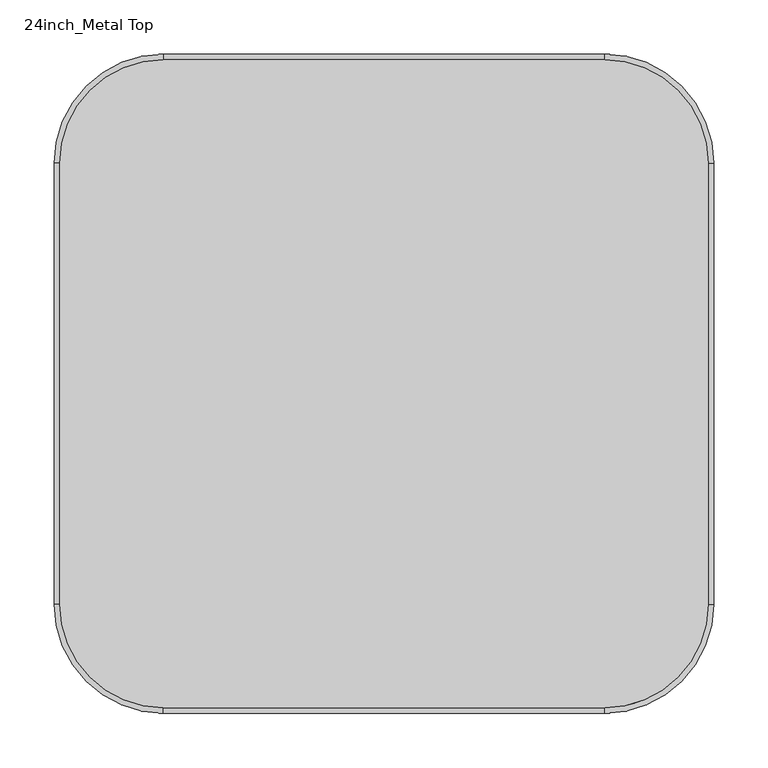
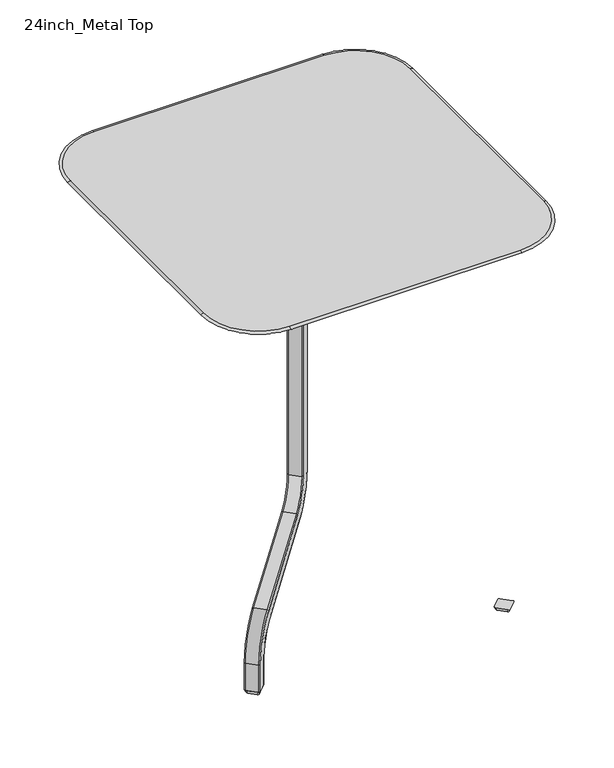
"""IFC4 building model written with IfcOpenShell, lengths in millimetres: furniture geometry, 24inch_Metal Top."""

from ifc_helpers import new_model, si_unit, point, frame, origin, place, context, project, spatial, polyline, circle_curve, ellipse_curve, trimmed, source, transform, mapped, element, save
from ifc_brep_helpers import plane_surface, cylinder_surface, revolved_surface, extruded_surface, advanced_brep


def furniture_24inch_metal_top_0d1c661f(model_context):
    return source(origin(), model_context, "Body", "AdvancedBrep", [
        advanced_brep(
        [(-248.810741, 203.8602009, 715.01), (-203.8602009, 248.810741, 715.01), (203.8602009, 248.810741, 715.01), (248.810741, 203.8602009, 715.01), (248.810741, -203.8602009, 715.01), (203.8602009, -248.810741, 715.01), (-203.8602009, -248.810741, 715.01), (-248.810741, -203.8602009, 715.01), (-203.8602009, 299.640625, 721.36), (-299.640625, 203.8602009, 721.36), (-299.640625, -203.8602009, 721.36), (-203.8602009, -299.640625, 721.36), (203.8602009, -299.640625, 721.36), (299.640625, -203.8602009, 721.36), (299.640625, 203.8602009, 721.36), (203.8602009, 299.640625, 721.36), (299.640625, 203.8602009, 718.185), (203.8602009, 299.640625, 718.185), (299.640625, -203.8602009, 718.185), (203.8602009, -299.640625, 718.185), (-203.8602009, -299.640625, 718.185), (-299.640625, -203.8602009, 718.185), (-299.640625, 203.8602009, 718.185), (-203.8602009, 299.640625, 718.185)],
        [
            (0, 1, circle_curve(frame((-203.8602009, 203.8602009, 715.01), z_axis=(0.0, 0.0, -1.0), x_axis=(0.0, 1.0, 0.0)), 44.9505402)),
            (1, 2),
            (2, 3, circle_curve(frame((203.8602009, 203.8602009, 715.01), z_axis=(0.0, 0.0, -1.0), x_axis=(1.0, 0.0, 0.0)), 44.9505402)),
            (3, 4),
            (4, 5, circle_curve(frame((203.8602009, -203.8602009, 715.01), z_axis=(0.0, 0.0, -1.0), x_axis=(0.0, -1.0, 0.0)), 44.9505402)),
            (5, 6),
            (6, 7, circle_curve(frame((-203.8602009, -203.8602009, 715.01), z_axis=(0.0, 0.0, -1.0), x_axis=(-1.0, 0.0, 0.0)), 44.9505402)),
            (7, 0),
            (8, 9, circle_curve(frame((-203.8602009, 203.8602009, 721.36), z_axis=(0.0, 0.0, 1.0), x_axis=(-1.0, 0.0, 0.0)), 95.7804241)),
            (9, 10),
            (10, 11, circle_curve(frame((-203.8602009, -203.8602009, 721.36), z_axis=(0.0, 0.0, 1.0), x_axis=(0.0, -1.0, 0.0)), 95.7804241)),
            (11, 12),
            (12, 13, circle_curve(frame((203.8602009, -203.8602009, 721.36), z_axis=(0.0, 0.0, 1.0), x_axis=(1.0, 0.0, 0.0)), 95.7804241)),
            (13, 14),
            (14, 15, circle_curve(frame((203.8602009, 203.8602009, 721.36), z_axis=(0.0, 0.0, 1.0), x_axis=(0.0, 1.0, 0.0)), 95.7804241)),
            (15, 8),
            (14, 16, ellipse_curve(frame((299.640625, 203.8602009, 719.7725), z_axis=(0.0, 1.0, 0.0), x_axis=(1.0, 0.0, 0.0)), 5.159375, 1.5875)),
            (16, 17, circle_curve(frame((203.8602009, 203.8602009, 718.185), z_axis=(0.0, 0.0, 1.0), x_axis=(0.0, 1.0, 0.0)), 95.7804241)),
            (17, 15, ellipse_curve(frame((203.8602009, 299.640625, 719.7725), z_axis=(1.0, 0.0, 0.0), x_axis=(0.0, 1.0, 0.0)), 5.159375, 1.5875)),
            (13, 18, ellipse_curve(frame((299.640625, -203.8602009, 719.7725), z_axis=(0.0, 1.0, 0.0), x_axis=(1.0, 0.0, 0.0)), 5.159375, 1.5875)),
            (18, 16),
            (12, 19, ellipse_curve(frame((203.8602009, -299.640625, 719.7725), z_axis=(1.0, 0.0, 0.0), x_axis=(0.0, -1.0, 0.0)), 5.159375, 1.5875)),
            (19, 18, circle_curve(frame((203.8602009, -203.8602009, 718.185), z_axis=(0.0, 0.0, 1.0), x_axis=(1.0, 0.0, 0.0)), 95.7804241)),
            (11, 20, ellipse_curve(frame((-203.8602009, -299.640625, 719.7725), z_axis=(1.0, 0.0, 0.0), x_axis=(0.0, -1.0, 0.0)), 5.159375, 1.5875)),
            (20, 19),
            (10, 21, ellipse_curve(frame((-299.640625, -203.8602009, 719.7725), z_axis=(0.0, -1.0, 0.0), x_axis=(-1.0, 0.0, 0.0)), 5.159375, 1.5875)),
            (21, 20, circle_curve(frame((-203.8602009, -203.8602009, 718.185), z_axis=(0.0, 0.0, 1.0), x_axis=(0.0, -1.0, 0.0)), 95.7804241)),
            (9, 22, ellipse_curve(frame((-299.640625, 203.8602009, 719.7725), z_axis=(0.0, -1.0, 0.0), x_axis=(-1.0, 0.0, 0.0)), 5.159375, 1.5875)),
            (22, 21),
            (8, 23, ellipse_curve(frame((-203.8602009, 299.640625, 719.7725), z_axis=(-1.0, 0.0, 0.0), x_axis=(0.0, 1.0, 0.0)), 5.159375, 1.5875)),
            (23, 22, circle_curve(frame((-203.8602009, 203.8602009, 718.185), z_axis=(0.0, 0.0, 1.0), x_axis=(-1.0, 0.0, 0.0)), 95.7804241)),
            (17, 23),
            (23, 1, circle_curve(frame((-203.8602009, 209.8005151, 1748.006574), z_axis=(-1.0, 0.0, 0.0), x_axis=(0.0, -1.0, 0.0)), 1033.7329054)),
            (0, 22, circle_curve(frame((-209.8005151, 203.8602009, 1748.006574), z_axis=(0.0, 1.0, 0.0), x_axis=(1.0, 0.0, 0.0)), 1033.7329054)),
            (7, 21, circle_curve(frame((-209.8005151, -203.8602009, 1748.006574), z_axis=(0.0, 1.0, 0.0), x_axis=(1.0, 0.0, 0.0)), 1033.7329054)),
            (6, 20, circle_curve(frame((-203.8602009, -209.8005151, 1748.006574), z_axis=(-1.0, 0.0, 0.0), x_axis=(0.0, 1.0, 0.0)), 1033.7329054)),
            (5, 19, circle_curve(frame((203.8602009, -209.8005151, 1748.006574), z_axis=(-1.0, 0.0, 0.0), x_axis=(0.0, 1.0, 0.0)), 1033.7329054)),
            (4, 18, circle_curve(frame((209.8005151, -203.8602009, 1748.006574), z_axis=(0.0, -1.0, 0.0), x_axis=(-1.0, 0.0, 0.0)), 1033.7329054)),
            (3, 16, circle_curve(frame((209.8005151, 203.8602009, 1748.006574), z_axis=(0.0, -1.0, 0.0), x_axis=(-1.0, 0.0, 0.0)), 1033.7329054)),
            (2, 17, circle_curve(frame((203.8602009, 209.8005151, 1748.006574), z_axis=(1.0, 0.0, 0.0), x_axis=(0.0, -1.0, 0.0)), 1033.7329054)),
        ],
        [
            plane_surface(frame((-203.8602009, 248.810741, 715.01), z_axis=(0.0, 0.0, -1.0), x_axis=(1.0, 0.0, 0.0))),
            plane_surface(frame((-203.8602009, 203.8602009, 721.36), z_axis=(0.0, 0.0, 1.0), x_axis=(-1.0, 0.0, 0.0))),
            revolved_surface(trimmed(ellipse_curve(frame((203.8602009, 299.640625, 719.7725), z_axis=(-1.0, 0.0, 0.0), x_axis=(0.0, 0.0, 1.0)), 1.5875, 5.159375), [point((203.8602009, 299.640625, 721.36))], [point((203.8602009, 299.640625, 718.185))], True, "CARTESIAN"), (203.8602009, 203.8602009, 721.36), (0.0, 0.0, -1.0)),
            extruded_surface(trimmed(ellipse_curve(frame((299.640625, -203.8602009, 719.7725), z_axis=(0.0, 1.0, 0.0), x_axis=(0.0, 0.0, 1.0)), 1.5875, 5.159375), [point((299.640625, -203.8602009, 721.36))], [point((299.640625, -203.8602009, 718.185))], True, "CARTESIAN"), (0.0, 407.7204018, 0.0), 407.7204018),
            revolved_surface(trimmed(ellipse_curve(frame((299.640625, -203.8602009, 719.7725), z_axis=(0.0, 1.0, 0.0), x_axis=(0.0, 0.0, 1.0)), 1.5875, 5.159375), [point((299.640625, -203.8602009, 721.36))], [point((299.640625, -203.8602009, 718.185))], True, "CARTESIAN"), (203.8602009, -203.8602009, 721.36), (0.0, 0.0, -1.0)),
            extruded_surface(trimmed(ellipse_curve(frame((-203.8602009, -299.640625, 719.7725), z_axis=(1.0, 0.0, 0.0), x_axis=(0.0, 0.0, 1.0)), 1.5875, 5.159375), [point((-203.8602009, -299.640625, 721.36))], [point((-203.8602009, -299.640625, 718.185))], True, "CARTESIAN"), (407.7204018, 0.0, 0.0), 407.7204018),
            revolved_surface(trimmed(ellipse_curve(frame((-203.8602009, -299.640625, 719.7725), z_axis=(1.0, 0.0, 0.0), x_axis=(0.0, 0.0, 1.0)), 1.5875, 5.159375), [point((-203.8602009, -299.640625, 721.36))], [point((-203.8602009, -299.640625, 718.185))], True, "CARTESIAN"), (-203.8602009, -203.8602009, 721.36), (0.0, 0.0, -1.0)),
            extruded_surface(trimmed(ellipse_curve(frame((-299.640625, 203.8602009, 719.7725), z_axis=(0.0, -1.0, 0.0), x_axis=(0.0, 0.0, 1.0)), 1.5875, 5.159375), [point((-299.640625, 203.8602009, 721.36))], [point((-299.640625, 203.8602009, 718.185))], True, "CARTESIAN"), (0.0, -407.7204018, 0.0), 407.7204018),
            revolved_surface(trimmed(ellipse_curve(frame((-299.640625, 203.8602009, 719.7725), z_axis=(0.0, -1.0, 0.0), x_axis=(0.0, 0.0, 1.0)), 1.5875, 5.159375), [point((-299.640625, 203.8602009, 721.36))], [point((-299.640625, 203.8602009, 718.185))], True, "CARTESIAN"), (-203.8602009, 203.8602009, 721.36), (0.0, 0.0, -1.0)),
            extruded_surface(trimmed(ellipse_curve(frame((203.8602009, 299.640625, 719.7725), z_axis=(-1.0, 0.0, 0.0), x_axis=(0.0, 0.0, 1.0)), 1.5875, 5.159375), [point((203.8602009, 299.640625, 721.36))], [point((203.8602009, 299.640625, 718.185))], True, "CARTESIAN"), (-407.7204018, 0.0, 0.0), 407.7204018),
            revolved_surface(trimmed(ellipse_curve(frame((-203.8602009, 209.8005151, 1748.006574), z_axis=(1.0, 0.0, 0.0), x_axis=(0.0, -1.0, 0.0)), 1033.7329054, 1033.7329054), [point((-203.8602009, 248.810741, 715.01))], [point((-203.8602009, 299.640625, 718.185))], True, "CARTESIAN"), (-203.8602009, 203.8602009, 721.36), (0.0, 0.0, 1.0)),
            cylinder_surface(frame((-209.8005151, 203.8602009, 1748.006574), z_axis=(0.0, 1.0, 0.0), x_axis=(1.0, 0.0, 0.0)), 1033.7329054),
            revolved_surface(trimmed(ellipse_curve(frame((-209.8005151, -203.8602009, 1748.006574), z_axis=(0.0, 1.0, 0.0), x_axis=(1.0, 0.0, 0.0)), 1033.7329054, 1033.7329054), [point((-248.810741, -203.8602009, 715.01))], [point((-299.640625, -203.8602009, 718.185))], True, "CARTESIAN"), (-203.8602009, -203.8602009, 721.36), (0.0, 0.0, 1.0)),
            cylinder_surface(frame((-203.8602009, -209.8005151, 1748.006574), z_axis=(-1.0, 0.0, 0.0), x_axis=(0.0, 1.0, 0.0)), 1033.7329054),
            revolved_surface(trimmed(ellipse_curve(frame((203.8602009, -209.8005151, 1748.006574), z_axis=(-1.0, 0.0, 0.0), x_axis=(0.0, 1.0, 0.0)), 1033.7329054, 1033.7329054), [point((203.8602009, -248.810741, 715.01))], [point((203.8602009, -299.640625, 718.185))], True, "CARTESIAN"), (203.8602009, -203.8602009, 721.36), (0.0, 0.0, 1.0)),
            cylinder_surface(frame((209.8005151, -203.8602009, 1748.006574), z_axis=(0.0, -1.0, 0.0), x_axis=(-1.0, 0.0, 0.0)), 1033.7329054),
            revolved_surface(trimmed(ellipse_curve(frame((209.8005151, 203.8602009, 1748.006574), z_axis=(0.0, -1.0, 0.0), x_axis=(-1.0, 0.0, 0.0)), 1033.7329054, 1033.7329054), [point((248.810741, 203.8602009, 715.01))], [point((299.640625, 203.8602009, 718.185))], True, "CARTESIAN"), (203.8602009, 203.8602009, 721.36), (0.0, 0.0, 1.0)),
            cylinder_surface(frame((203.8602009, 209.8005151, 1748.006574), z_axis=(1.0, 0.0, 0.0), x_axis=(0.0, -1.0, 0.0)), 1033.7329054),
        ],
        [
            (0, [[1, 2, 3, 4, 5, 6, 7, 8]]),
            (1, [[9, 10, 11, 12, 13, 14, 15, 16]]),
            (2, [[-15, 17, 18, 19]]),
            (3, [[-14, 20, 21, -17]]),
            (4, [[-13, 22, 23, -20]]),
            (5, [[-12, 24, 25, -22]]),
            (6, [[-11, 26, 27, -24]]),
            (7, [[-10, 28, 29, -26]]),
            (8, [[-9, 30, 31, -28]]),
            (9, [[-16, -19, 32, -30]]),
            (10, [[33, -1, 34, -31]]),
            (11, [[-34, -8, 35, -29]]),
            (12, [[-35, -7, 36, -27]]),
            (13, [[-36, -6, 37, -25]]),
            (14, [[-37, -5, 38, -23]]),
            (15, [[-38, -4, 39, -21]]),
            (16, [[-39, -3, 40, -18]]),
            (17, [[-33, -32, -40, -2]]),
        ],
    ),
        advanced_brep(
        [(-233.4955044, -222.6035596, 0.0), (-233.4955044, -219.0680257, 0.0), (-222.6060599, -208.1785813, 0.0), (-219.070526, -208.1785813, 0.0), (-208.1810816, -219.0680257, 0.0), (-208.1810816, -222.6035596, 0.0), (-219.070526, -233.493004, 0.0), (-222.6060599, -233.493004, 0.0), (-237.0310383, -222.6035596, 6.0), (-222.6060599, -237.0285379, 6.0), (-219.070526, -237.0285379, 6.0), (-204.6455477, -222.6035596, 6.0), (-204.6455477, -219.0680257, 6.0), (-219.070526, -204.6430474, 6.0), (-222.6060599, -204.6430474, 6.0), (-237.0310383, -219.0680257, 6.0)],
        [
            (0, 1, circle_curve(frame((-231.7277374, -220.8357927, 0.0), z_axis=(0.0, 0.0, -1.0000000000000002), x_axis=(-0.7071067811865475, 0.7071067811865478, 0.0)), 2.5)),
            (1, 2),
            (2, 3, circle_curve(frame((-220.838293, -209.9463482, 0.0), z_axis=(0.0, 0.0, -1.0000000000000002), x_axis=(-0.7071067811865475, 0.7071067811865478, 0.0)), 2.5)),
            (3, 4),
            (4, 5, circle_curve(frame((-209.9488486, -220.8357927, 0.0), z_axis=(0.0, 0.0, -1.0000000000000002), x_axis=(-0.7071067811865475, 0.7071067811865478, 0.0)), 2.5)),
            (5, 6),
            (6, 7, circle_curve(frame((-220.838293, -231.7252371, 0.0), z_axis=(0.0, 0.0, -1.0000000000000002), x_axis=(-0.7071067811865475, 0.7071067811865478, 0.0)), 2.5)),
            (7, 0),
            (8, 9),
            (9, 10, circle_curve(frame((-220.838293, -235.260771, 6.0), z_axis=(0.0, 0.0, 1.0000000000000002), x_axis=(-0.7071067811865475, 0.7071067811865478, 0.0)), 2.5)),
            (10, 11),
            (11, 12, circle_curve(frame((-206.4133147, -220.8357927, 6.0), z_axis=(0.0, 0.0, 1.0000000000000002), x_axis=(-0.7071067811865475, 0.7071067811865478, 0.0)), 2.5)),
            (12, 13),
            (13, 14, circle_curve(frame((-220.838293, -206.4108143, 6.0), z_axis=(0.0, 0.0, 1.0000000000000002), x_axis=(-0.7071067811865475, 0.7071067811865478, 0.0)), 2.5)),
            (14, 15),
            (15, 8, circle_curve(frame((-235.2632713, -220.8357927, 6.0), z_axis=(0.0, 0.0, 1.0000000000000002), x_axis=(-0.7071067811865475, 0.7071067811865478, 0.0)), 2.5)),
            (15, 1),
            (0, 8),
            (14, 2),
            (13, 3),
            (12, 4),
            (11, 5),
            (10, 6),
            (9, 7),
        ],
        [
            plane_surface(frame((-220.838293, -220.8357927, 0.0), z_axis=(0.0, 0.0, -1.0000000000000002), x_axis=(-0.7071067811865408, 0.7071067811865545, 0.0))),
            plane_surface(frame((-220.838293, -220.8357927, 6.0), z_axis=(0.0, 0.0, 1.0), x_axis=(-0.7071067811865475, 0.7071067811865476, 0.0))),
            extruded_surface(trimmed(circle_curve(frame((-235.2632713, -220.8357927, 6.0), z_axis=(0.0, 0.0, -1.0000000000000002), x_axis=(-0.7071067811865475, 0.7071067811865478, 0.0)), 2.5), [point((-237.0310383, -222.6035596, 6.0))], [point((-237.0310383, -219.0680257, 6.0))], True, "CARTESIAN"), (3.5355339000000185, 0.0, -6.0), 6.964194135580178),
            plane_surface(frame((-229.8185491, -211.8555365, 6.0), z_axis=(-0.6527139518648324, 0.6527139518648327, -0.3846153846142746), x_axis=(0.7071067811865478, 0.7071067811865475, 0.0))),
            extruded_surface(trimmed(circle_curve(frame((-220.838293, -206.4108143, 6.0), z_axis=(0.0, 0.0, -1.0000000000000002), x_axis=(-0.7071067811865475, 0.7071067811865478, 0.0)), 2.5), [point((-222.6060599, -204.6430474, 6.0))], [point((-219.070526, -204.6430474, 6.0))], True, "CARTESIAN"), (0.0, -3.53553389999999, -6.0), 6.964194135580163),
            plane_surface(frame((-211.8580369, -211.8555365, 6.0), z_axis=(0.6527139518666312, 0.652713951866631, -0.3846153846081706), x_axis=(0.7071067811865475, -0.7071067811865478, 0.0))),
            extruded_surface(trimmed(circle_curve(frame((-206.4133147, -220.8357927, 6.0), z_axis=(0.0, 0.0, -1.0000000000000002), x_axis=(-0.7071067811865475, 0.7071067811865478, 0.0)), 2.5), [point((-204.6455477, -219.0680257, 6.0))], [point((-204.6455477, -222.6035596, 6.0))], True, "CARTESIAN"), (-3.53553389999999, 0.0, -6.0), 6.964194135580163),
            plane_surface(frame((-211.8580369, -229.8160488, 6.0), z_axis=(0.6527139518648832, -0.6527139518648836, -0.38461538461410205), x_axis=(-0.7071067811865478, -0.7071067811865475, 0.0))),
            extruded_surface(trimmed(circle_curve(frame((-220.838293, -235.260771, 6.0), z_axis=(0.0, 0.0, -1.0000000000000002), x_axis=(-0.7071067811865475, 0.7071067811865478, 0.0)), 2.5), [point((-219.070526, -237.0285379, 6.0))], [point((-222.6060599, -237.0285379, 6.0))], True, "CARTESIAN"), (0.0, 3.5355339000000185, -6.0), 6.964194135580178),
            plane_surface(frame((-229.8185491, -229.8160488, 6.0), z_axis=(-0.6527139518639549, -0.6527139518639545, -0.38461538461725453), x_axis=(-0.7071067811865475, 0.7071067811865478, 0.0))),
        ],
        [
            (0, [[1, 2, 3, 4, 5, 6, 7, 8]]),
            (1, [[9, 10, 11, 12, 13, 14, 15, 16]]),
            (2, [[-16, 17, -1, 18]]),
            (3, [[-15, 19, -2, -17]]),
            (4, [[-14, 20, -3, -19]]),
            (5, [[-13, 21, -4, -20]]),
            (6, [[-12, 22, -5, -21]]),
            (7, [[-11, 23, -6, -22]]),
            (8, [[-10, 24, -7, -23]]),
            (9, [[-9, -18, -8, -24]]),
        ],
    ),
        advanced_brep(
        [(-222.6060599, -237.0285379, 6.0), (-237.0310383, -222.6035596, 6.0), (-237.0310383, -219.0680257, 6.0), (-222.6060599, -204.6430474, 6.0), (-219.070526, -204.6430474, 6.0), (-204.6455477, -219.0680257, 6.0), (-204.6455477, -222.6035596, 6.0), (-219.070526, -237.0285379, 6.0), (-222.6060599, -237.0285379, 56.4844346), (-237.0310383, -222.6035596, 56.4844346), (-237.0310383, -219.0680257, 56.4844346), (-203.2995419, -185.3365294, 124.6121496), (-81.0743544, -63.1113418, 187.5253211), (-56.6480984, -38.6850858, 236.8591837), (-56.6480984, -38.6850858, 710.9420313), (-42.2231201, -24.2601075, 710.9420313), (-42.2231201, -24.2601075, 236.8591837), (-76.1407212, -58.1777086, 168.3555916), (-198.3659088, -180.4028962, 105.4424202), (-222.6060599, -204.6430474, 56.4844346), (-219.070526, -204.6430474, 56.4844346), (-204.6455477, -219.0680257, 56.4844346), (-204.6455477, -222.6035596, 56.4844346), (-180.4053965, -198.3634084, 105.4424202), (-58.180209, -76.1382209, 168.3555916), (-24.2626078, -42.2206197, 236.8591837), (-24.2626078, -42.2206197, 710.9420313), (-38.6875862, -56.6455981, 710.9420313), (-38.6875862, -56.6455981, 236.8591837), (-63.1138421, -81.071854, 187.5253211), (-185.3390297, -203.2970416, 124.6121496), (-219.070526, -237.0285379, 56.4844346), (-202.1363869, -187.7089082, 126.9613812), (-187.7114086, -202.1338866, 126.9613812), (-195.9935299, -181.5660513, 103.0931886), (-181.5685516, -195.9910296, 103.0931886), (-65.486221, -79.908699, 189.8745526), (-79.9111993, -65.4837207, 189.8745526), (-73.7683424, -59.3408637, 166.0063601), (-59.343364, -73.765842, 166.0063601), (-56.6480984, -42.2206197, 236.8591837), (-42.2231201, -56.6455981, 236.8591837), (-38.6875862, -24.2601075, 236.8591837), (-24.2626078, -38.6850858, 236.8591837), (-42.2231201, -56.6455981, 710.9420313), (-24.2626078, -38.6850858, 710.9420313), (-38.6875862, -24.2601075, 710.9420313), (-56.6480984, -42.2206197, 710.9420313)],
        [
            (0, 1),
            (1, 2, circle_curve(frame((-235.2632713, -220.8357927, 6.0), z_axis=(0.0, 0.0, -1.0), x_axis=(0.7071067811865478, 0.7071067811865475, 0.0)), 2.5)),
            (2, 3),
            (3, 4, circle_curve(frame((-220.838293, -206.4108143, 6.0), z_axis=(0.0, 0.0, -1.0), x_axis=(0.7071067811865478, 0.7071067811865475, 0.0)), 2.5)),
            (4, 5),
            (5, 6, circle_curve(frame((-206.4133147, -220.8357927, 6.0), z_axis=(0.0, 0.0, -1.0), x_axis=(0.7071067811865478, 0.7071067811865475, 0.0)), 2.5)),
            (6, 7),
            (7, 0, circle_curve(frame((-220.838293, -235.260771, 6.0), z_axis=(0.0, 0.0, -1.0), x_axis=(0.7071067811865478, 0.7071067811865475, 0.0)), 2.5)),
            (0, 8),
            (8, 9),
            (9, 1),
            (9, 10, circle_curve(frame((-235.2632713, -220.8357927, 56.4844346), z_axis=(0.0, 0.0, -1.0), x_axis=(0.7071067811865478, 0.7071067811865475, 0.0)), 2.5)),
            (10, 2),
            (10, 11, circle_curve(frame((-185.7657966, -167.8027841, 56.4844346), z_axis=(-0.7071067811865475, 0.7071067811865478, 0.0), x_axis=(-0.7071067811865478, -0.7071067811865475, 0.0)), 72.5)),
            (11, 12),
            (12, 13, circle_curve(frame((-93.7712044, -75.8081918, 236.8591837), z_axis=(0.7071067811865475, -0.7071067811865478, 0.0), x_axis=(0.24184476264796487, 0.24184476264796476, -0.9396926207859138)), 52.5)),
            (13, 14),
            (14, 15),
            (15, 16),
            (16, 17, circle_curve(frame((-93.7712044, -75.8081918, 236.8591837), z_axis=(-0.7071067811865475, 0.7071067811865478, 0.0), x_axis=(0.24184476264796487, 0.24184476264796476, -0.9396926207859138)), 72.9)),
            (17, 18),
            (18, 19, circle_curve(frame((-185.7657966, -167.8027841, 56.4844346), z_axis=(0.7071067811865475, -0.7071067811865478, 0.0), x_axis=(-0.7071067811865478, -0.7071067811865475, 0.0)), 52.1)),
            (19, 3),
            (19, 20, circle_curve(frame((-220.838293, -206.4108143, 56.4844346), z_axis=(0.0, 0.0, -1.0), x_axis=(0.7071067811865478, 0.7071067811865475, 0.0)), 2.5)),
            (20, 4),
            (20, 21),
            (21, 5),
            (21, 22, circle_curve(frame((-206.4133147, -220.8357927, 56.4844346), z_axis=(0.0, 0.0, -1.0), x_axis=(0.7071067811865478, 0.7071067811865475, 0.0)), 2.5)),
            (22, 6),
            (22, 23, circle_curve(frame((-167.8052844, -185.7632963, 56.4844346), z_axis=(-0.7071067811865475, 0.7071067811865478, 0.0), x_axis=(-0.7071067811865478, -0.7071067811865475, 0.0)), 52.1)),
            (23, 24),
            (24, 25, circle_curve(frame((-75.8106922, -93.7687041, 236.8591837), z_axis=(0.7071067811865475, -0.7071067811865478, 0.0), x_axis=(0.24184476264796487, 0.24184476264796476, -0.9396926207859138)), 72.9)),
            (25, 26),
            (26, 27),
            (27, 28),
            (28, 29, circle_curve(frame((-75.8106922, -93.7687041, 236.8591837), z_axis=(-0.7071067811865475, 0.7071067811865478, 0.0), x_axis=(0.24184476264796487, 0.24184476264796476, -0.9396926207859138)), 52.5)),
            (29, 30),
            (30, 31, circle_curve(frame((-167.8052844, -185.7632963, 56.4844346), z_axis=(0.7071067811865475, -0.7071067811865478, 0.0), x_axis=(-0.7071067811865478, -0.7071067811865475, 0.0)), 72.5)),
            (31, 7),
            (31, 8, circle_curve(frame((-220.838293, -235.260771, 56.4844346), z_axis=(0.0, 0.0, -1.0), x_axis=(0.7071067811865478, 0.7071067811865475, 0.0)), 2.5)),
            (32, 9, circle_curve(frame((-183.9980297, -169.570551, 56.4844346), z_axis=(0.7071067811865475, -0.7071067811865478, 0.0), x_axis=(-0.7071067811865478, -0.7071067811865475, 0.0)), 75.0)),
            (8, 33, circle_curve(frame((-169.5730514, -183.9955294, 56.4844346), z_axis=(-0.7071067811865475, 0.7071067811865478, 0.0), x_axis=(-0.7071067811865478, -0.7071067811865475, 0.0)), 75.0)),
            (33, 32),
            (32, 11, circle_curve(frame((-201.531775, -187.1042963, 124.6121496), z_axis=(-0.6644630243886789, -0.6644630243886785, -0.34202014332565367), x_axis=(0.24184476264796467, 0.24184476264796456, -0.9396926207859141)), 2.5)),
            (34, 20, circle_curve(frame((-183.9980297, -169.570551, 56.4844346), z_axis=(0.7071067811865475, -0.7071067811865478, 0.0), x_axis=(-0.7071067811865478, -0.7071067811865475, 0.0)), 49.6)),
            (18, 34, circle_curve(frame((-196.5981418, -182.1706632, 105.4424202), z_axis=(-0.6644630243886788, -0.6644630243886784, -0.34202014332565406), x_axis=(0.24184476264796495, 0.24184476264796484, -0.939692620785914)), 2.5)),
            (35, 21, circle_curve(frame((-169.5730514, -183.9955294, 56.4844346), z_axis=(0.7071067811865475, -0.7071067811865478, 0.0), x_axis=(-0.7071067811865478, -0.7071067811865475, 0.0)), 49.6)),
            (34, 35),
            (35, 23, circle_curve(frame((-182.1731635, -196.5956415, 105.4424202), z_axis=(-0.6644630243886788, -0.6644630243886784, -0.34202014332565406), x_axis=(0.24184476264796495, 0.24184476264796484, -0.939692620785914)), 2.5)),
            (30, 33, circle_curve(frame((-187.1067966, -201.5292747, 124.6121496), z_axis=(-0.6644630243886789, -0.6644630243886785, -0.34202014332565384), x_axis=(0.24184476264796478, 0.24184476264796467, -0.9396926207859141)), 2.5)),
            (33, 36),
            (36, 37),
            (37, 32),
            (37, 12, circle_curve(frame((-79.3065874, -64.8791088, 187.5253211), z_axis=(-0.6644630243886788, -0.6644630243886784, -0.3420201433256536), x_axis=(0.24184476264796467, 0.2418447626479645, -0.939692620785914)), 2.5)),
            (17, 38, circle_curve(frame((-74.3729543, -59.9454756, 168.3555916), z_axis=(-0.6644630243886788, -0.6644630243886784, -0.3420201433256536), x_axis=(0.24184476264796467, 0.2418447626479645, -0.939692620785914)), 2.5)),
            (38, 34),
            (38, 39),
            (39, 35),
            (39, 24, circle_curve(frame((-59.9479759, -74.3704539, 168.3555916), z_axis=(-0.6644630243886788, -0.6644630243886784, -0.3420201433256536), x_axis=(0.24184476264796467, 0.2418447626479645, -0.939692620785914)), 2.5)),
            (29, 36, circle_curve(frame((-64.8816091, -79.3040871, 187.5253211), z_axis=(-0.6644630243886788, -0.6644630243886784, -0.3420201433256536), x_axis=(0.24184476264796467, 0.2418447626479645, -0.939692620785914)), 2.5)),
            (40, 37, circle_curve(frame((-92.0034375, -77.5759588, 236.8591837), z_axis=(-0.7071067811865475, 0.7071067811865478, 0.0), x_axis=(0.24184476264796487, 0.24184476264796476, -0.9396926207859138)), 50.0)),
            (36, 41, circle_curve(frame((-77.5784591, -92.0009371, 236.8591837), z_axis=(0.7071067811865475, -0.7071067811865478, 0.0), x_axis=(0.24184476264796487, 0.24184476264796476, -0.9396926207859138)), 50.0)),
            (41, 40),
            (40, 13, circle_curve(frame((-54.8803314, -40.4528528, 236.8591837), z_axis=(0.0, 0.0, -1.0), x_axis=(0.7071067811865478, 0.7071067811865475, 0.0)), 2.5)),
            (42, 38, circle_curve(frame((-92.0034375, -77.5759588, 236.8591837), z_axis=(-0.7071067811865475, 0.7071067811865478, 0.0), x_axis=(0.24184476264796487, 0.24184476264796476, -0.9396926207859138)), 75.4)),
            (16, 42, circle_curve(frame((-40.4553531, -26.0278744, 236.8591837), z_axis=(0.0, 0.0, -1.0), x_axis=(0.7071067811865478, 0.7071067811865475, 0.0)), 2.5)),
            (43, 39, circle_curve(frame((-77.5784591, -92.0009371, 236.8591837), z_axis=(-0.7071067811865475, 0.7071067811865478, 0.0), x_axis=(0.24184476264796487, 0.24184476264796476, -0.9396926207859138)), 75.4)),
            (42, 43),
            (43, 25, circle_curve(frame((-26.0303748, -40.4528528, 236.8591837), z_axis=(0.0, 0.0, -1.0), x_axis=(0.7071067811865478, 0.7071067811865475, 0.0)), 2.5)),
            (28, 41, circle_curve(frame((-40.4553531, -54.8778311, 236.8591837), z_axis=(0.0, 0.0, -1.0), x_axis=(0.7071067811865478, 0.7071067811865475, 0.0)), 2.5)),
            (44, 27, circle_curve(frame((-40.4553531, -54.8778311, 710.9420313), z_axis=(0.0, 0.0, 1.0), x_axis=(0.7071067811865477, 0.7071067811865472, 0.0)), 2.5)),
            (26, 45, circle_curve(frame((-26.0303748, -40.4528528, 710.9420313), z_axis=(0.0, 0.0, 1.0), x_axis=(0.7071067811865477, 0.7071067811865472, 0.0)), 2.5)),
            (45, 46),
            (46, 15, circle_curve(frame((-40.4553531, -26.0278744, 710.9420313), z_axis=(0.0, 0.0, 1.0), x_axis=(0.7071067811865477, 0.7071067811865472, 0.0)), 2.5)),
            (14, 47, circle_curve(frame((-54.8803314, -40.4528528, 710.9420313), z_axis=(0.0, 0.0, 1.0), x_axis=(0.7071067811865477, 0.7071067811865472, 0.0)), 2.5)),
            (47, 44),
            (41, 44),
            (47, 40),
            (46, 42),
            (45, 43),
        ],
        [
            plane_surface(frame((-229.8172989, -229.8172989, 6.0), z_axis=(0.0, 0.0, -1.0000000000000002), x_axis=(-0.7071067811865475, 0.7071067811865478, 0.0))),
            plane_surface(frame((-222.6060599, -237.0285379, 6.0), z_axis=(-0.7071067811865478, -0.7071067811865475, 0.0), x_axis=(0.0, 0.0, 1.0))),
            cylinder_surface(frame((-235.2632713, -220.8357927, 6.0), z_axis=(0.0, 0.0, -1.0000000000000002), x_axis=(0.7071067811865478, 0.7071067811865475, 0.0)), 2.5),
            plane_surface(frame((-237.0310383, -219.0680257, 6.0), z_axis=(-0.7071067811865475, 0.7071067811865478, 0.0), x_axis=(0.0, 0.0, 1.0))),
            cylinder_surface(frame((-220.838293, -206.4108143, 6.0), z_axis=(0.0, 0.0, -1.0000000000000002), x_axis=(0.7071067811865478, 0.7071067811865475, 0.0)), 2.5),
            plane_surface(frame((-219.070526, -204.6430474, 6.0), z_axis=(0.7071067811865478, 0.7071067811865475, 0.0), x_axis=(0.0, 0.0, 1.0))),
            cylinder_surface(frame((-206.4133147, -220.8357927, 6.0), z_axis=(0.0, 0.0, -1.0000000000000002), x_axis=(0.7071067811865478, 0.7071067811865475, 0.0)), 2.5),
            plane_surface(frame((-204.6455477, -222.6035596, 6.0), z_axis=(0.7071067811865475, -0.7071067811865478, 0.0), x_axis=(0.0, 0.0, 1.0))),
            cylinder_surface(frame((-220.838293, -235.260771, 6.0), z_axis=(0.0, 0.0, -1.0000000000000002), x_axis=(0.7071067811865478, 0.7071067811865475, 0.0)), 2.5),
            cylinder_surface(frame((-176.7842904, -176.7842904, 56.4844346), z_axis=(-0.7071067811865475, 0.7071067811865478, 0.0), x_axis=(-0.7071067811865478, -0.7071067811865475, 0.0)), 75.0),
            revolved_surface(trimmed(ellipse_curve(frame((-235.2632713, -220.8357927, 56.4844346), z_axis=(0.0, 0.0, -1.0000000000000002), x_axis=(0.7071067811865478, 0.7071067811865475, 0.0)), 2.5, 2.5), [point((-237.0310383, -222.6035596, 56.4844346))], [point((-237.0310383, -219.0680257, 56.4844346))], True, "CARTESIAN"), (-176.7842904, -176.7842904, 56.4844346), (-0.7071067811865475, 0.7071067811865478, 0.0)),
            revolved_surface(trimmed(ellipse_curve(frame((-220.838293, -206.4108143, 56.4844346), z_axis=(0.0, 0.0, -1.0000000000000002), x_axis=(0.7071067811865478, 0.7071067811865475, 0.0)), 2.5, 2.5), [point((-222.6060599, -204.6430474, 56.4844346))], [point((-219.070526, -204.6430474, 56.4844346))], True, "CARTESIAN"), (-176.7842904, -176.7842904, 56.4844346), (-0.7071067811865475, 0.7071067811865478, 0.0)),
            revolved_surface(polyline([(-219.07052609685277, -204.64304739685275, 56.4844346), (-204.64554774685277, -219.06802574685275, 56.4844346)]), (-176.7842904, -176.7842904, 56.4844346), (-0.7071067811865475, 0.7071067811865478, 0.0)),
            revolved_surface(trimmed(ellipse_curve(frame((-206.4133147, -220.8357927, 56.4844346), z_axis=(0.0, 0.0, -1.0000000000000002), x_axis=(0.7071067811865478, 0.7071067811865475, 0.0)), 2.5, 2.5), [point((-204.6455477, -219.0680257, 56.4844346))], [point((-204.6455477, -222.6035596, 56.4844346))], True, "CARTESIAN"), (-176.7842904, -176.7842904, 56.4844346), (-0.7071067811865475, 0.7071067811865478, 0.0)),
            revolved_surface(trimmed(ellipse_curve(frame((-220.838293, -235.260771, 56.4844346), z_axis=(0.0, 0.0, -1.0000000000000002), x_axis=(0.7071067811865478, 0.7071067811865475, 0.0)), 2.5, 2.5), [point((-219.070526, -237.0285379, 56.4844346))], [point((-222.6060599, -237.0285379, 56.4844346))], True, "CARTESIAN"), (-176.7842904, -176.7842904, 56.4844346), (-0.7071067811865475, 0.7071067811865478, 0.0)),
            plane_surface(frame((-187.7114086, -202.1338866, 126.9613812), z_axis=(-0.2418447626479647, -0.2418447626479646, 0.939692620785914), x_axis=(0.6644630243886787, 0.6644630243886785, 0.3420201433256537))),
            cylinder_surface(frame((-201.531775, -187.1042963, 124.6121496), z_axis=(-0.6644630243886789, -0.6644630243886785, -0.34202014332565367), x_axis=(0.24184476264796467, 0.2418447626479645, -0.939692620785914)), 2.5),
            cylinder_surface(frame((-196.5981418, -182.1706632, 105.4424202), z_axis=(-0.6644630243886789, -0.6644630243886785, -0.34202014332565367), x_axis=(0.24184476264796467, 0.2418447626479645, -0.939692620785914)), 2.5),
            plane_surface(frame((-195.9935299, -181.5660513, 103.0931886), z_axis=(0.2418447626479646, 0.2418447626479645, -0.939692620785914), x_axis=(0.6644630243886788, 0.6644630243886785, 0.34202014332565356))),
            cylinder_surface(frame((-182.1731635, -196.5956415, 105.4424202), z_axis=(-0.6644630243886789, -0.6644630243886785, -0.34202014332565367), x_axis=(0.24184476264796467, 0.2418447626479645, -0.939692620785914)), 2.5),
            cylinder_surface(frame((-187.1067966, -201.5292747, 124.6121496), z_axis=(-0.6644630243886789, -0.6644630243886785, -0.34202014332565367), x_axis=(0.24184476264796467, 0.2418447626479645, -0.939692620785914)), 2.5),
            revolved_surface(polyline([(-65.48622096760175, -79.90869896760177, 189.8745526607043), (-79.91119931760177, -65.48372061760175, 189.8745526607043)]), (-84.7896981, -84.7896981, 236.8591837), (0.7071067811865475, -0.7071067811865478, 0.0)),
            revolved_surface(trimmed(ellipse_curve(frame((-79.3065874, -64.8791088, 187.5253211), z_axis=(-0.6644630243886788, -0.6644630243886784, -0.342020143325654), x_axis=(0.2418447626479649, 0.24184476264796473, -0.9396926207859138)), 2.5, 2.5), [point((-79.9111993, -65.4837207, 189.8745526))], [point((-81.0743544, -63.1113418, 187.5253211))], True, "CARTESIAN"), (-84.7896981, -84.7896981, 236.8591837), (0.7071067811865475, -0.7071067811865478, 0.0)),
            revolved_surface(trimmed(ellipse_curve(frame((-74.3729543, -59.9454756, 168.3555916), z_axis=(-0.6644630243886788, -0.6644630243886784, -0.342020143325654), x_axis=(0.2418447626479649, 0.24184476264796473, -0.9396926207859138)), 2.5, 2.5), [point((-76.1407212, -58.1777086, 168.3555916))], [point((-73.7683424, -59.3408637, 166.0063601))], True, "CARTESIAN"), (-84.7896981, -84.7896981, 236.8591837), (0.7071067811865475, -0.7071067811865478, 0.0)),
            cylinder_surface(frame((-84.7896981, -84.7896981, 236.8591837), z_axis=(0.7071067811865475, -0.7071067811865478, 0.0), x_axis=(0.24184476264796487, 0.24184476264796476, -0.9396926207859138)), 75.4),
            revolved_surface(trimmed(ellipse_curve(frame((-59.9479759, -74.3704539, 168.3555916), z_axis=(-0.6644630243886788, -0.6644630243886784, -0.342020143325654), x_axis=(0.2418447626479649, 0.24184476264796473, -0.9396926207859138)), 2.5, 2.5), [point((-59.343364, -73.765842, 166.0063601))], [point((-58.180209, -76.1382209, 168.3555916))], True, "CARTESIAN"), (-84.7896981, -84.7896981, 236.8591837), (0.7071067811865475, -0.7071067811865478, 0.0)),
            revolved_surface(trimmed(ellipse_curve(frame((-64.8816091, -79.3040871, 187.5253211), z_axis=(-0.6644630243886788, -0.6644630243886784, -0.342020143325654), x_axis=(0.2418447626479649, 0.24184476264796473, -0.9396926207859138)), 2.5, 2.5), [point((-63.1138421, -81.071854, 187.5253211))], [point((-65.486221, -79.908699, 189.8745526))], True, "CARTESIAN"), (-84.7896981, -84.7896981, 236.8591837), (0.7071067811865475, -0.7071067811865478, 0.0)),
            plane_surface(frame((-49.4343591, -49.4343591, 710.9420313), z_axis=(0.0, 0.0, 1.0000000000000002), x_axis=(-0.7071067811865475, 0.7071067811865477, 0.0))),
            plane_surface(frame((-42.2231201, -56.6455981, 236.8591837), z_axis=(-0.7071067811865477, -0.7071067811865475, 0.0), x_axis=(0.0, 0.0, 1.0))),
            cylinder_surface(frame((-54.8803314, -40.4528528, 236.8591837), z_axis=(0.0, 0.0, -1.0), x_axis=(0.7071067811865477, 0.7071067811865472, 0.0)), 2.5),
            cylinder_surface(frame((-40.4553531, -26.0278744, 236.8591837), z_axis=(0.0, 0.0, -1.0), x_axis=(0.7071067811865477, 0.7071067811865472, 0.0)), 2.5),
            plane_surface(frame((-38.6875862, -24.2601075, 236.8591837), z_axis=(0.7071067811865477, 0.7071067811865475, 0.0), x_axis=(0.0, 0.0, 1.0))),
            cylinder_surface(frame((-26.0303748, -40.4528528, 236.8591837), z_axis=(0.0, 0.0, -1.0), x_axis=(0.7071067811865477, 0.7071067811865472, 0.0)), 2.5),
            cylinder_surface(frame((-40.4553531, -54.8778311, 236.8591837), z_axis=(0.0, 0.0, -1.0), x_axis=(0.7071067811865477, 0.7071067811865472, 0.0)), 2.5),
        ],
        [
            (0, [[1, 2, 3, 4, 5, 6, 7, 8]]),
            (1, [[-1, 9, 10, 11]]),
            (2, [[-2, -11, 12, 13]]),
            (3, [[-3, -13, 14, 15, 16, 17, 18, 19, 20, 21, 22, 23]]),
            (4, [[-4, -23, 24, 25]]),
            (5, [[-5, -25, 26, 27]]),
            (6, [[-6, -27, 28, 29]]),
            (7, [[-7, -29, 30, 31, 32, 33, 34, 35, 36, 37, 38, 39]]),
            (8, [[-8, -39, 40, -9]]),
            (9, [[41, -10, 42, 43]]),
            (10, [[-14, -12, -41, 44]]),
            (11, [[45, -24, -22, 46]]),
            (12, [[47, -26, -45, 48]]),
            (13, [[-30, -28, -47, 49]]),
            (14, [[-42, -40, -38, 50]]),
            (15, [[-43, 51, 52, 53]]),
            (16, [[-44, -53, 54, -15]]),
            (17, [[-46, -21, 55, 56]]),
            (18, [[-48, -56, 57, 58]]),
            (19, [[-49, -58, 59, -31]]),
            (20, [[-50, -37, 60, -51]]),
            (21, [[61, -52, 62, 63]]),
            (22, [[-16, -54, -61, 64]]),
            (23, [[65, -55, -20, 66]]),
            (24, [[67, -57, -65, 68]]),
            (25, [[-32, -59, -67, 69]]),
            (26, [[-62, -60, -36, 70]]),
            (27, [[71, -34, 72, 73, 74, -18, 75, 76]]),
            (28, [[-63, 77, -76, 78]]),
            (29, [[-64, -78, -75, -17]]),
            (30, [[-66, -19, -74, 79]]),
            (31, [[-68, -79, -73, 80]]),
            (32, [[-69, -80, -72, -33]]),
            (33, [[-70, -35, -71, -77]]),
        ],
    ),
        advanced_brep(
        [(222.6035596, -233.4955044, 0.0), (219.0680257, -233.4955044, 0.0), (208.1785813, -222.6060599, 0.0), (208.1785813, -219.070526, 0.0), (219.0680257, -208.1810816, 0.0), (222.6035596, -208.1810816, 0.0), (233.493004, -219.070526, 0.0), (233.493004, -222.6060599, 0.0), (222.6035596, -237.0310383, 6.0), (237.0285379, -222.6060599, 6.0), (237.0285379, -219.070526, 6.0), (222.6035596, -204.6455477, 6.0), (219.0680257, -204.6455477, 6.0), (204.6430474, -219.070526, 6.0), (204.6430474, -222.6060599, 6.0), (219.0680257, -237.0310383, 6.0)],
        [
            (0, 1, circle_curve(frame((220.8357927, -231.7277374, 0.0), z_axis=(0.0, 0.0, -1.0), x_axis=(-0.7071067811865478, -0.7071067811865472, 0.0)), 2.5)),
            (1, 2),
            (2, 3, circle_curve(frame((209.9463482, -220.838293, 0.0), z_axis=(0.0, 0.0, -1.0), x_axis=(-0.7071067811865478, -0.7071067811865472, 0.0)), 2.5)),
            (3, 4),
            (4, 5, circle_curve(frame((220.8357927, -209.9488486, 0.0), z_axis=(0.0, 0.0, -1.0), x_axis=(-0.7071067811865478, -0.7071067811865472, 0.0)), 2.5)),
            (5, 6),
            (6, 7, circle_curve(frame((231.7252371, -220.838293, 0.0), z_axis=(0.0, 0.0, -1.0), x_axis=(-0.7071067811865478, -0.7071067811865472, 0.0)), 2.5)),
            (7, 0),
            (8, 9),
            (9, 10, circle_curve(frame((235.260771, -220.838293, 6.0), z_axis=(0.0, 0.0, 1.0), x_axis=(-0.7071067811865478, -0.7071067811865472, 0.0)), 2.5)),
            (10, 11),
            (11, 12, circle_curve(frame((220.8357927, -206.4133147, 6.0), z_axis=(0.0, 0.0, 1.0), x_axis=(-0.7071067811865478, -0.7071067811865472, 0.0)), 2.5)),
            (12, 13),
            (13, 14, circle_curve(frame((206.4108143, -220.838293, 6.0), z_axis=(0.0, 0.0, 1.0), x_axis=(-0.7071067811865478, -0.7071067811865472, 0.0)), 2.5)),
            (14, 15),
            (15, 8, circle_curve(frame((220.8357927, -235.2632713, 6.0), z_axis=(0.0, 0.0, 1.0), x_axis=(-0.7071067811865478, -0.7071067811865472, 0.0)), 2.5)),
            (15, 1),
            (0, 8),
            (14, 2),
            (13, 3),
            (12, 4),
            (11, 5),
            (10, 6),
            (9, 7),
        ],
        [
            plane_surface(frame((220.8357927, -220.838293, 0.0), z_axis=(0.0, 0.0, -1.0), x_axis=(-0.7071067811865476, -0.7071067811865475, 0.0))),
            plane_surface(frame((220.8357927, -220.838293, 6.0), z_axis=(0.0, 0.0, 1.0), x_axis=(-0.7071067811865476, -0.7071067811865475, 0.0))),
            extruded_surface(trimmed(circle_curve(frame((220.8357927, -235.2632713, 6.0), z_axis=(0.0, 0.0, -1.0), x_axis=(-0.7071067811865478, -0.7071067811865472, 0.0)), 2.5), [point((222.6035596, -237.0310383, 6.0))], [point((219.0680257, -237.0310383, 6.0))], True, "CARTESIAN"), (0.0, 3.5355339000000185, -6.0), 6.964194135580178),
            plane_surface(frame((211.8555365, -229.8185491, 6.0), z_axis=(-0.6527139518648327, -0.6527139518648323, -0.3846153846142746), x_axis=(-0.7071067811865472, 0.7071067811865478, 0.0))),
            extruded_surface(trimmed(circle_curve(frame((206.4108143, -220.838293, 6.0), z_axis=(0.0, 0.0, -1.0), x_axis=(-0.7071067811865478, -0.7071067811865472, 0.0)), 2.5), [point((204.6430474, -222.6060599, 6.0))], [point((204.6430474, -219.070526, 6.0))], True, "CARTESIAN"), (3.53553389999999, 0.0, -6.0), 6.964194135580163),
            plane_surface(frame((211.8555365, -211.8580369, 6.0), z_axis=(-0.6527139518666288, 0.6527139518666293, -0.3846153846081768), x_axis=(0.7071067811865478, 0.7071067811865472, 0.0))),
            extruded_surface(trimmed(circle_curve(frame((220.8357927, -206.4133147, 6.0), z_axis=(0.0, 0.0, -1.0), x_axis=(-0.7071067811865478, -0.7071067811865472, 0.0)), 2.5), [point((219.0680257, -204.6455477, 6.0))], [point((222.6035596, -204.6455477, 6.0))], True, "CARTESIAN"), (0.0, -3.53553389999999, -6.0), 6.964194135580163),
            plane_surface(frame((229.8160488, -211.8580369, 6.0), z_axis=(0.6527139518648836, 0.6527139518648831, -0.38461538461410205), x_axis=(0.7071067811865472, -0.7071067811865478, 0.0))),
            extruded_surface(trimmed(circle_curve(frame((235.260771, -220.838293, 6.0), z_axis=(0.0, 0.0, -1.0), x_axis=(-0.7071067811865478, -0.7071067811865472, 0.0)), 2.5), [point((237.0285379, -219.070526, 6.0))], [point((237.0285379, -222.6060599, 6.0))], True, "CARTESIAN"), (-3.5355339000000185, 0.0, -6.0), 6.964194135580178),
            plane_surface(frame((229.8160488, -229.8185491, 6.0), z_axis=(0.6527139518639524, -0.652713951863953, -0.38461538461726064), x_axis=(-0.7071067811865478, -0.7071067811865472, 0.0))),
        ],
        [
            (0, [[1, 2, 3, 4, 5, 6, 7, 8]]),
            (1, [[9, 10, 11, 12, 13, 14, 15, 16]]),
            (2, [[-16, 17, -1, 18]]),
            (3, [[-15, 19, -2, -17]]),
            (4, [[-14, 20, -3, -19]]),
            (5, [[-13, 21, -4, -20]]),
            (6, [[-12, 22, -5, -21]]),
            (7, [[-11, 23, -6, -22]]),
            (8, [[-10, 24, -7, -23]]),
            (9, [[-9, -18, -8, -24]]),
        ],
    ),
    ])


if __name__ == "__main__":
    model = new_model("IFC4")
    model_context = context("Model", 3, world=origin())
    ifc_project = project(units=[si_unit("LENGTHUNIT", "METRE", prefix="MILLI")], contexts=[model_context])
    site = spatial("IfcSite", under=ifc_project)
    building = spatial("IfcBuilding", under=site)
    placement = place(None, origin())
    furniture_24inch_metal_top_shape = furniture_24inch_metal_top_0d1c661f(model_context)
    element("IfcFurniture", 1, ObjectType="24inch_Metal Top", at=placement, inside=building, context=model_context, shape_type="MappedRepresentation", body=[
        mapped(furniture_24inch_metal_top_shape, transform((0.0, 0.0, 0.0), x_axis=(1.0, 0.0, 0.0), y_axis=(0.0, 1.0, 0.0), z_axis=(0.0, 0.0, 1.0))),
    ])
    save(model, "model.ifc")
